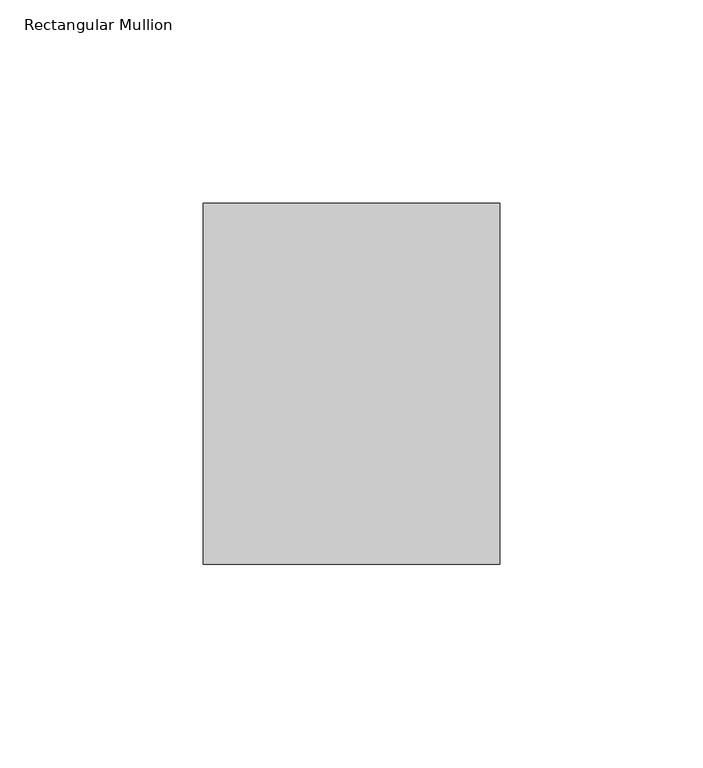
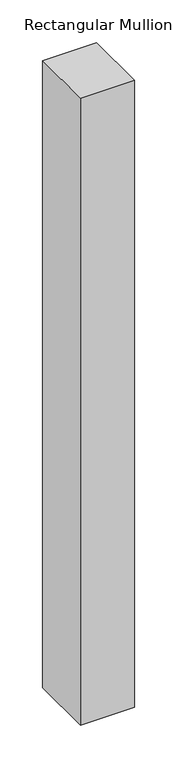
"""IFC4 building model written with IfcOpenShell, lengths in millimetres: member geometry, Rectangular Mullion."""

from ifc_helpers import new_model, si_unit, frame, origin, place, context, project, spatial, polyline, outline, extrude, source, transform, mapped, element, save


def rectangular_mullion_66299982(model_context):
    return source(origin(), model_context, "Body", "SweptSolid", [
        extrude(outline(polyline([(0.0, 44.45), (0.0, -44.45), (-73.025, -44.45), (-73.025, 44.45), (0.0, 44.45)])), frame((0.0, 0.0, -896.62), z_axis=(0.0, 0.0, 1.0), x_axis=(1.0, 0.0, 0.0)), (0.0, 0.0, 1.0), 896.62),
    ])


if __name__ == "__main__":
    model = new_model("IFC4")
    model_context = context("Model", 3, world=origin())
    ifc_project = project(units=[si_unit("LENGTHUNIT", "METRE", prefix="MILLI")], contexts=[model_context])
    site = spatial("IfcSite", under=ifc_project)
    building = spatial("IfcBuilding", under=site)
    placement = place(None, origin())
    rectangular_mullion_shape = rectangular_mullion_66299982(model_context)
    element("IfcMember", 1, ObjectType="Rectangular Mullion", at=placement, inside=building, context=model_context, shape_type="MappedRepresentation", body=[
        mapped(rectangular_mullion_shape, transform((0.0, 0.0, 0.0), x_axis=(1.0, 0.0, 0.0), y_axis=(0.0, 1.0, 0.0), z_axis=(0.0, 0.0, 1.0))),
    ])
    save(model, "model.ifc")
